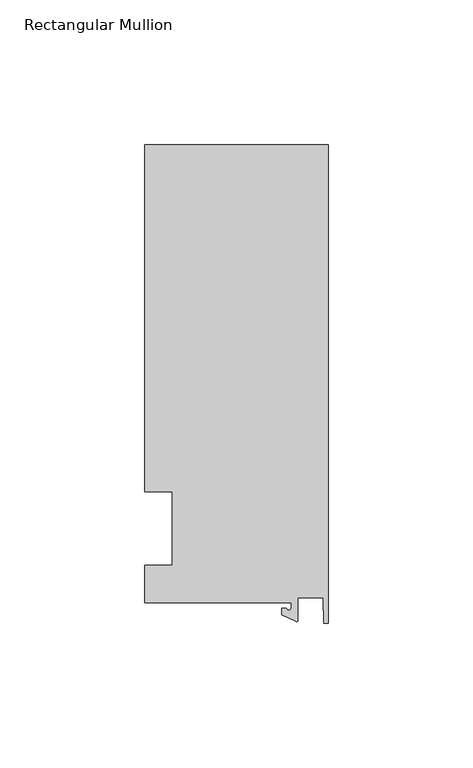
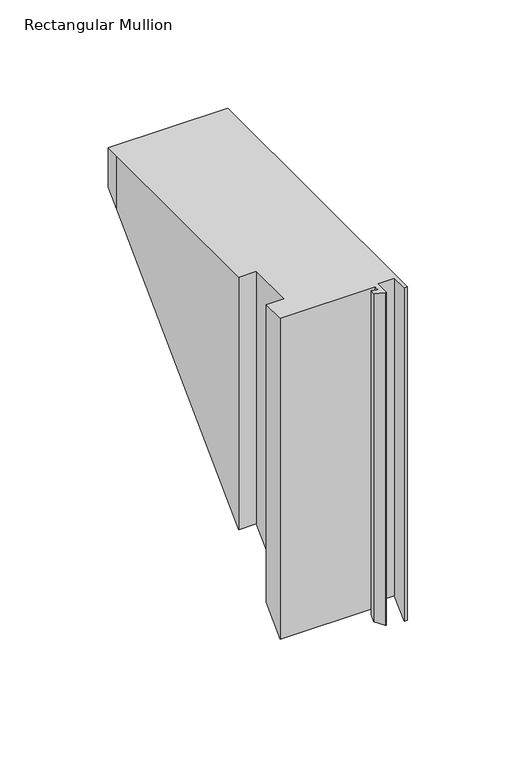
"""IFC4 building model written with IfcOpenShell, lengths in millimetres: member geometry, Rectangular Mullion."""

from ifc_helpers import new_model, si_unit, frame, origin, place, context, project, spatial, polyline, circle_curve, ellipse_curve, source, transform, mapped, element, save
from ifc_brep_helpers import plane_surface, cylinder_surface, revolved_surface, advanced_brep


def rectangular_mullion_01ed7ee2(model_context):
    return source(origin(), model_context, "Body", "AdvancedBrep", [
        advanced_brep(
        [(-12.8216721, -25.5984375, 0.0), (-12.8216721, -27.5208534, 0.0), (-14.4091721, -27.5208534, 0.0), (-15.9966721, -27.5208534, 0.0), (-15.9966721, -29.8830527, 0.0), (-11.1567622, -32.1399398, 0.0), (-10.4340721, -31.6795354, 0.0), (-10.4340721, -23.9227662, 0.0), (-1.7144124, -23.9227662, 0.0), (-1.5566453, -32.810012, 0.0), (0.0, -32.810012, 0.0), (0.0, 132.822512, 0.0), (-63.5, 132.822512, 0.0), (-63.5, 125.075512, 0.0), (-63.5, 12.7, 0.0), (-53.975, 12.7, 0.0), (-53.975, -12.7, 0.0), (-63.5, -12.7, 0.0), (-63.5, -25.5984375, 0.0), (-12.8216721, -25.5984375, -180.5320245), (-12.8216721, -27.5208534, -182.4544404), (-14.4091721, -27.5208534, -182.4544404), (-15.9966721, -27.5208534, -182.4544404), (-15.9966721, -29.8830527, -184.8166397), (-11.1567622, -32.1399398, -187.0735268), (-10.4340721, -31.6795354, -186.6131224), (-10.4340721, -23.9227662, -178.8563533), (-1.7144124, -23.9227662, -178.8563533), (-1.5566453, -32.810012, -187.743599), (0.0, -32.810012, -187.743599), (0.0, 132.822512, -22.111075), (-63.5, 132.822512, -22.111075), (-63.5, 125.075512, -29.858075), (-63.5, 12.7, -142.233587), (-53.975, 12.7, -142.233587), (-53.975, -12.7, -167.633587), (-63.5, -12.7, -167.633587), (-63.5, -25.5984375, -180.5320245)],
        [
            (0, 1),
            (1, 2, circle_curve(frame((-13.6154221, -27.5208534, 0.0), z_axis=(0.0, 0.0, -1.0), x_axis=(-1.0, 0.0, 0.0)), 0.79375)),
            (2, 3),
            (3, 4),
            (4, 5),
            (5, 6, circle_curve(frame((-10.9420721, -31.6795354, 0.0), z_axis=(0.0, 0.0, 1.0), x_axis=(-1.0, 0.0, 0.0)), 0.508)),
            (6, 7),
            (7, 8),
            (8, 9),
            (9, 10),
            (10, 11),
            (11, 12),
            (12, 13),
            (13, 14),
            (14, 15),
            (15, 16),
            (16, 17),
            (17, 18),
            (18, 0),
            (0, 19),
            (19, 20),
            (20, 1),
            (20, 21, ellipse_curve(frame((-13.6154221, -27.5208534, -182.4544404), z_axis=(0.0, 0.70710678118655, -0.7071067811865451), x_axis=(0.0, -0.7071067811865452, -0.7071067811865498)), 1.122532, 0.79375)),
            (21, 2),
            (21, 22),
            (22, 3),
            (22, 23),
            (23, 4),
            (23, 24),
            (24, 5),
            (24, 25, ellipse_curve(frame((-10.9420721, -31.6795354, -186.6131224), z_axis=(0.0, -0.70710678118655, 0.7071067811865451), x_axis=(0.0, 0.7071067811865452, 0.7071067811865498)), 0.7184205, 0.508)),
            (25, 6),
            (25, 26),
            (26, 7),
            (26, 27),
            (27, 8),
            (27, 28),
            (28, 9),
            (28, 29),
            (29, 10),
            (29, 30),
            (30, 11),
            (30, 31),
            (31, 12),
            (13, 32),
            (32, 33),
            (33, 14),
            (33, 34),
            (34, 15),
            (34, 35),
            (35, 16),
            (35, 36),
            (36, 17),
            (36, 37),
            (37, 18),
            (37, 19),
            (32, 31),
        ],
        [
            plane_surface(frame((0.0, -147.2211591, 0.0), z_axis=(0.0, 0.0, 1.0), x_axis=(-1.0, 0.0, 0.0))),
            plane_surface(frame((-12.8216721, -25.5984375, 0.0), z_axis=(-1.0, 0.0, 0.0), x_axis=(0.0, 0.0, -1.0))),
            revolved_surface(polyline([(-14.4091721, -27.5208534, -183.2481903892989), (-14.4091721, -27.5208534, 0.0)]), (-13.6154221, -27.5208534, 0.0), (0.0, 0.0, -1.0)),
            plane_surface(frame((-14.4091721, -27.5208534, 0.0), z_axis=(0.0, 1.0, 0.0), x_axis=(0.0, 0.0, -1.0))),
            plane_surface(frame((-15.9966721, -27.5208534, 0.0), z_axis=(-1.0, 0.0, 0.0), x_axis=(0.0, 0.0, -1.0))),
            plane_surface(frame((-15.9966721, -29.8830527, 0.0), z_axis=(-0.4226182617406985, -0.9063077870366505, 0.0), x_axis=(0.0, 0.0, -1.0))),
            cylinder_surface(frame((-10.9420721, -31.6795354, 0.0), z_axis=(0.0, 0.0, 1.0), x_axis=(-1.0, 0.0, 0.0)), 0.508),
            plane_surface(frame((-10.4340721, -31.6795354, 0.0), z_axis=(1.0, 0.0, 0.0), x_axis=(0.0, 0.0, -1.0))),
            plane_surface(frame((-10.4340721, -23.9227662, 0.0), z_axis=(0.0, -1.0, 0.0), x_axis=(0.0, 0.0, -1.0))),
            plane_surface(frame((-1.7144124, -23.9227662, 0.0), z_axis=(-0.9998424690407919, -0.017749284560600327, 0.0), x_axis=(0.0, 0.0, -1.0))),
            plane_surface(frame((-1.5566453, -32.810012, 0.0), z_axis=(0.0, -1.0, 0.0), x_axis=(0.0, 0.0, -1.0))),
            plane_surface(frame((0.0, -32.810012, 0.0), z_axis=(1.0, 0.0, 0.0), x_axis=(0.0, 0.0, -1.0))),
            plane_surface(frame((0.0, 132.822512, 0.0), z_axis=(0.0, 1.0, 0.0), x_axis=(0.0, 0.0, -1.0))),
            plane_surface(frame((-63.5, 125.075512, 0.0), z_axis=(-1.0, 0.0, 0.0), x_axis=(0.0, 0.0, -1.0))),
            plane_surface(frame((-63.5, 12.7, 0.0), z_axis=(0.0, -1.0, 0.0), x_axis=(0.0, 0.0, -1.0))),
            plane_surface(frame((-53.975, 12.7, 0.0), z_axis=(-1.0, 0.0, 0.0), x_axis=(0.0, 0.0, -1.0))),
            plane_surface(frame((-53.975, -12.7, 0.0), z_axis=(0.0, 1.0, 0.0), x_axis=(0.0, 0.0, -1.0))),
            plane_surface(frame((-63.5, -12.7, 0.0), z_axis=(-1.0, 0.0, 0.0), x_axis=(0.0, 0.0, -1.0))),
            plane_surface(frame((-63.5, -25.5984375, 0.0), z_axis=(0.0, -1.0, 0.0), x_axis=(0.0, 0.0, -1.0))),
            plane_surface(frame((-304.8, 0.0, -154.933587), z_axis=(0.0, 0.70710678118655, -0.7071067811865451), x_axis=(0.0, 0.7071067811865451, 0.70710678118655))),
            plane_surface(frame((-63.5, 132.822512, 0.0), z_axis=(-1.0, 0.0, 0.0), x_axis=(0.0, 0.0, -1.0))),
        ],
        [
            (0, [[1, 2, 3, 4, 5, 6, 7, 8, 9, 10, 11, 12, 13, 14, 15, 16, 17, 18, 19]]),
            (1, [[-1, 20, 21, 22]]),
            (2, [[-2, -22, 23, 24]]),
            (3, [[-3, -24, 25, 26]]),
            (4, [[-4, -26, 27, 28]]),
            (5, [[-5, -28, 29, 30]]),
            (6, [[-6, -30, 31, 32]]),
            (7, [[-7, -32, 33, 34]]),
            (8, [[-8, -34, 35, 36]]),
            (9, [[-9, -36, 37, 38]]),
            (10, [[-10, -38, 39, 40]]),
            (11, [[-11, -40, 41, 42]]),
            (12, [[-12, -42, 43, 44]]),
            (13, [[-14, 45, 46, 47]]),
            (14, [[-15, -47, 48, 49]]),
            (15, [[-16, -49, 50, 51]]),
            (16, [[-17, -51, 52, 53]]),
            (17, [[-18, -53, 54, 55]]),
            (18, [[-19, -55, 56, -20]]),
            (19, [[-56, -54, -52, -50, -48, -46, 57, -43, -41, -39, -37, -35, -33, -31, -29, -27, -25, -23, -21]]),
            (20, [[-13, -44, -57, -45]]),
        ],
    ),
    ])


if __name__ == "__main__":
    model = new_model("IFC4")
    model_context = context("Model", 3, world=origin())
    ifc_project = project(units=[si_unit("LENGTHUNIT", "METRE", prefix="MILLI")], contexts=[model_context])
    site = spatial("IfcSite", under=ifc_project)
    building = spatial("IfcBuilding", under=site)
    placement = place(None, origin())
    rectangular_mullion_shape = rectangular_mullion_01ed7ee2(model_context)
    element("IfcMember", 1, ObjectType="Rectangular Mullion", at=placement, inside=building, context=model_context, shape_type="MappedRepresentation", body=[
        mapped(rectangular_mullion_shape, transform((0.0, 0.0, 0.0), x_axis=(1.0, 0.0, 0.0), y_axis=(0.0, 1.0, 0.0), z_axis=(0.0, 0.0, 1.0))),
    ])
    save(model, "model.ifc")
